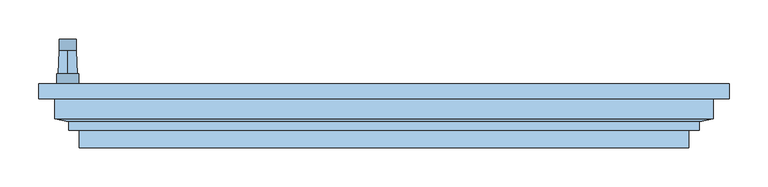
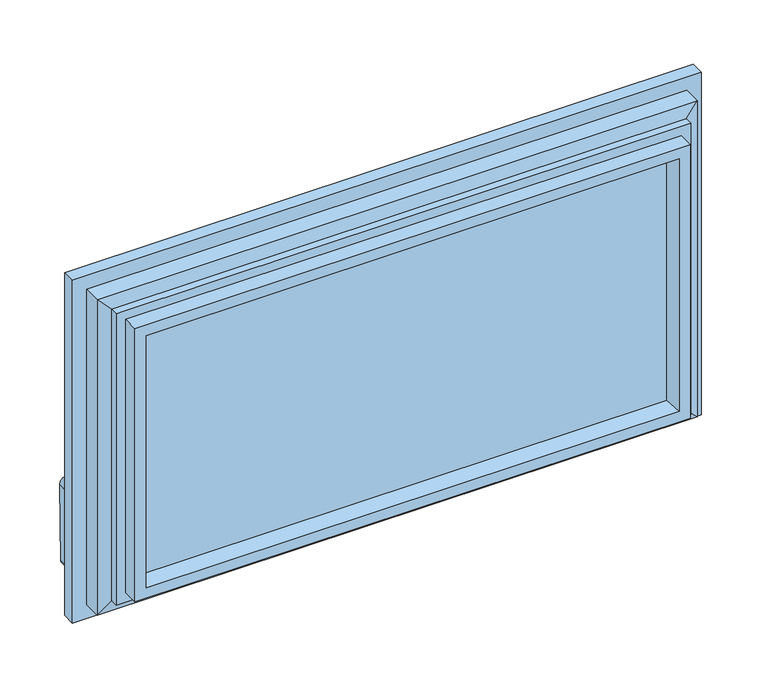
"""IFC4 building model written with IfcOpenShell, lengths in millimetres: window geometry."""

from ifc_helpers import new_model, si_unit, point, frame, frame_2d, origin, place, context, project, spatial, polyline, circle_curve, trimmed, segment, composite_curve, outline, extrude, faceted_brep, source, transform, mapped, element, save
from ifc_brep_helpers import plane_surface, cylinder_surface, revolved_surface, advanced_brep


def window_5c2b65d4(model_context):
    return source(origin(), model_context, "Body", "SolidModel", [
        advanced_brep(
        [(-391.2, 30.8, 220.2), (-391.2, 30.8, 184.8), (-419.8, 30.8, 184.8), (-419.8, 30.8, 220.2), (-405.5, 30.8, 190.5), (-405.5, 30.8, 214.5), (-391.2, 18.0, 220.2), (-419.8, 18.0, 220.2), (-419.8, 18.0, 184.8), (-391.2, 18.0, 184.8), (-405.5, 60.5837804, 213.45), (-405.5, 60.5837804, 191.55)],
        [
            (0, 1),
            (1, 2, circle_curve(frame((-405.5, 30.8, 184.8), z_axis=(0.0, 1.0, 0.0), x_axis=(-1.0, 0.0, 0.0)), 14.3)),
            (2, 3),
            (3, 0, circle_curve(frame((-405.5, 30.8, 220.2), z_axis=(0.0, 1.0, 0.0), x_axis=(-1.0, 0.0, 0.0)), 14.3)),
            (4, 5, circle_curve(frame((-405.5, 30.8, 202.5), z_axis=(0.0, -1.0, 0.0), x_axis=(0.0, 0.0, 1.0)), 12.0)),
            (5, 4, circle_curve(frame((-405.5, 30.8, 202.5), z_axis=(0.0, -1.0, 0.0), x_axis=(0.0, 0.0, -1.0)), 12.0)),
            (6, 7, circle_curve(frame((-405.5, 18.0, 220.2), z_axis=(0.0, -1.0, 0.0), x_axis=(-1.0, 0.0, 0.0)), 14.3)),
            (7, 8),
            (8, 9, circle_curve(frame((-405.5, 18.0, 184.8), z_axis=(0.0, -1.0, 0.0), x_axis=(-1.0, 0.0, 0.0)), 14.3)),
            (9, 6),
            (0, 6),
            (9, 1),
            (8, 2),
            (7, 3),
            (10, 11, circle_curve(frame((-405.5, 60.5837804, 202.5), z_axis=(0.0, 1.0, 0.0), x_axis=(0.0, 0.0, 1.0)), 10.95)),
            (11, 10, circle_curve(frame((-405.5, 60.5837804, 202.5), z_axis=(0.0, 1.0, 0.0), x_axis=(0.0, 0.0, -1.0)), 10.95)),
            (10, 5),
            (4, 11),
        ],
        [
            plane_surface(frame((-391.2, 30.8, 220.2), z_axis=(0.0, 1.0, 0.0), x_axis=(0.0, 0.0, -1.0))),
            plane_surface(frame((-391.2, 18.0, 220.2), z_axis=(0.0, -1.0, 0.0), x_axis=(0.0, 0.0, 1.0))),
            plane_surface(frame((-391.2, 30.8, 220.2), z_axis=(1.0, 0.0, 0.0), x_axis=(0.0, -1.0, 0.0))),
            cylinder_surface(frame((-405.5, 18.0, 184.8), z_axis=(0.0, 1.0, 0.0), x_axis=(-1.0, 0.0, 0.0)), 14.3),
            plane_surface(frame((-419.8, 30.8, 184.8), z_axis=(-1.0, 0.0, 0.0), x_axis=(0.0, -1.0, 0.0))),
            cylinder_surface(frame((-405.5, 18.0, 220.2), z_axis=(0.0, 1.0, 0.0), x_axis=(-1.0, 0.0, 0.0)), 14.3),
            plane_surface(frame((-405.5, 60.5837804, 202.5), z_axis=(0.0, 1.0, 0.0), x_axis=(1.0, 0.0, 0.0))),
            revolved_surface(polyline([(-405.5, 60.58378040000002, 213.4500000002644), (-405.5, 30.80000000000001, 214.5)]), (-405.5, 371.1860618, 202.5), (0.0, -1.0, 0.0)),
            revolved_surface(polyline([(-405.5, 60.58378040000002, 191.5499999997356), (-405.5, 30.80000000000001, 190.5)]), (-405.5, 371.1860618, 202.5), (0.0, -1.0, 0.0)),
        ],
        [
            (0, [[1, 2, 3, 4], [5, 6]]),
            (1, [[7, 8, 9, 10]]),
            (2, [[-1, 11, -10, 12]]),
            (3, [[-2, -12, -9, 13]]),
            (4, [[-3, -13, -8, 14]]),
            (5, [[-4, -14, -7, -11]]),
            (6, [[15, 16]]),
            (7, [[-15, 17, -5, 18]]),
            (8, [[-16, -18, -6, -17]]),
        ],
    ),
        extrude(outline(composite_curve([segment(trimmed(circle_curve(frame_2d((89.5593058, -409.4580365)), 5.1186159), [point((89.5592661, -414.5766524))], [point((84.4406899, -409.4580365))], False, "CARTESIAN"), True, "CONTINUOUS"), segment(polyline([(84.4406899, -409.4580365), (84.4406899, -401.5419635)]), True, "CONTINUOUS"), segment(trimmed(circle_curve(frame_2d((89.5593058, -401.5419635)), 5.1186159), [point((84.4406899, -401.5419635))], [point((89.3895475, -396.4261634))], False, "CARTESIAN"), True, "CONTINUOUS"), segment(polyline([(89.3895475, -396.4261634), (202.5, -394.55)]), True, "CONTINUOUS"), segment(trimmed(circle_curve(frame_2d((202.5, -405.5)), 10.95), [point((202.5, -394.55))], [point((202.5, -416.45))], False, "CARTESIAN"), True, "CONTINUOUS"), segment(polyline([(202.5, -416.45), (89.5592661, -414.5766524)]), True, "CONTINUOUS")], self_intersect=False)), frame((0.0, 60.5837804, 0.0), z_axis=(0.0, 1.0, 0.0), x_axis=(0.0, 0.0, 1.0)), (0.0, 0.0, 1.0), 15.0),
        extrude(outline(polyline([(386.5, -3.0), (386.5, -7.0), (-386.5, -7.0), (-386.5, -3.0), (386.5, -3.0)])), frame((0.0, 0.0, 108.5), z_axis=(0.0, 0.0, 1.0), x_axis=(1.0, 0.0, 0.0)), (0.0, 0.0, 1.0), 398.0),
        extrude(outline(polyline([(386.5, -39.0), (386.5, -43.0), (-386.5, -43.0), (-386.5, -39.0), (386.5, -39.0)])), frame((0.0, 0.0, 108.5), z_axis=(0.0, 0.0, 1.0), x_axis=(1.0, 0.0, 0.0)), (0.0, 0.0, 1.0), 398.0),
        extrude(outline(polyline([(386.5, -21.0), (386.5, -25.0), (-386.5, -25.0), (-386.5, -21.0), (386.5, -21.0)])), frame((0.0, 0.0, 108.5), z_axis=(0.0, 0.0, 1.0), x_axis=(1.0, 0.0, 0.0)), (0.0, 0.0, 1.0), 398.0),
        faceted_brep([(422.5, -1.0, 542.5), (422.5, -26.45, 542.5), (422.5, -26.45, 72.5), (422.5, -1.0, 72.5), (442.5, 18.0, 562.5), (442.5, -1.0, 562.5), (442.5, -1.0, 52.5), (442.5, 18.0, 52.5), (370.3364776, -3.0, 490.3364776), (359.6599742, 18.0, 479.6599742), (359.6599742, 18.0, 135.3400258), (370.3364776, -3.0, 124.6635224), (386.5, -43.0, 506.5), (386.5, -3.0, 506.5), (386.5, -3.0, 108.5), (386.5, -43.0, 108.5), (375.1595631, -64.0, 495.1595631), (369.53263, -43.0, 489.53263), (369.53263, -43.0, 125.46737), (375.1595631, -64.0, 119.8404369), (390.9018435, -64.0, 510.9018435), (390.9018435, -64.0, 104.0981565), (390.9018435, -41.5, 104.0981565), (390.9018435, -41.5, 510.9018435), (404.3518435, -30.6, 524.3518435), (404.3518435, -41.5, 524.3518435), (404.3518435, -41.5, 90.6481565), (404.3518435, -30.6, 90.6481565), (-422.5, -26.45, 72.5), (-422.5, -1.0, 72.5), (-442.5, -1.0, 52.5), (-442.5, 18.0, 52.5), (-359.6599742, 18.0, 135.3400258), (-370.3364776, -3.0, 124.6635224), (-386.5, -3.0, 108.5), (-386.5, -43.0, 108.5), (-369.53263, -43.0, 125.46737), (-375.1595631, -64.0, 119.8404369), (-390.9018435, -64.0, 104.0981565), (-390.9018435, -41.5, 104.0981565), (-404.3518435, -41.5, 90.6481565), (-404.3518435, -30.6, 90.6481565), (-422.5, -26.45, 542.5), (-422.5, -1.0, 542.5), (-442.5, -1.0, 562.5), (-442.5, 18.0, 562.5), (-359.6599742, 18.0, 479.6599742), (-370.3364776, -3.0, 490.3364776), (-386.5, -3.0, 506.5), (-386.5, -43.0, 506.5), (-369.53263, -43.0, 489.53263), (-375.1595631, -64.0, 495.1595631), (-390.9018435, -64.0, 510.9018435), (-390.9018435, -41.5, 510.9018435), (-404.3518435, -41.5, 524.3518435), (-404.3518435, -30.6, 524.3518435)], [[[0, 1, 2, 3]], [[4, 5, 6, 7]], [[8, 9, 10, 11]], [[12, 13, 14, 15]], [[16, 17, 18, 19]], [[20, 21, 22, 23]], [[24, 25, 26, 27]], [[1, 24, 27, 2]], [[3, 2, 28, 29]], [[7, 6, 30, 31]], [[11, 10, 32, 33]], [[15, 14, 34, 35]], [[19, 18, 36, 37]], [[22, 21, 38, 39]], [[27, 26, 40, 41]], [[2, 27, 41, 28]], [[29, 28, 42, 43]], [[31, 30, 44, 45]], [[33, 32, 46, 47]], [[35, 34, 48, 49]], [[37, 36, 50, 51]], [[39, 38, 52, 53]], [[41, 40, 54, 55]], [[28, 41, 55, 42]], [[43, 42, 1, 0]], [[5, 44, 30, 6], [3, 29, 43, 0]], [[45, 44, 5, 4]], [[7, 31, 45, 4], [9, 46, 32, 10]], [[47, 46, 9, 8]], [[13, 48, 34, 14], [11, 33, 47, 8]], [[49, 48, 13, 12]], [[15, 35, 49, 12], [17, 50, 36, 18]], [[51, 50, 17, 16]], [[20, 52, 38, 21], [19, 37, 51, 16]], [[53, 52, 20, 23]], [[25, 54, 40, 26], [22, 39, 53, 23]], [[55, 54, 25, 24]], [[42, 55, 24, 1]]]),
    ])


if __name__ == "__main__":
    model = new_model("IFC4")
    model_context = context("Model", 3, world=origin())
    ifc_project = project(units=[si_unit("LENGTHUNIT", "METRE", prefix="MILLI")], contexts=[model_context])
    site = spatial("IfcSite", under=ifc_project)
    building = spatial("IfcBuilding", under=site)
    placement = place(None, origin())
    window_shape = window_5c2b65d4(model_context)
    element("IfcWindow", 1, at=placement, inside=building, context=model_context, shape_type="MappedRepresentation", body=[
        mapped(window_shape, transform((0.0, 0.0, 0.0), x_axis=(1.0, 0.0, 0.0), y_axis=(0.0, 1.0, 0.0), z_axis=(0.0, 0.0, 1.0))),
    ])
    save(model, "model.ifc")
